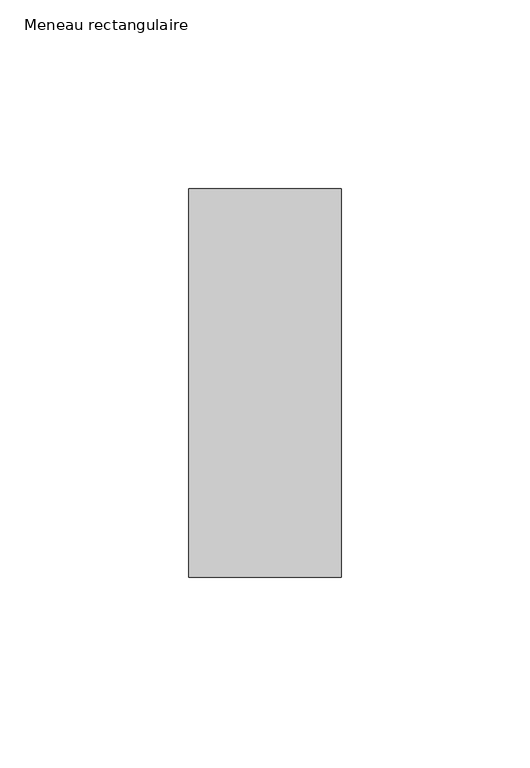
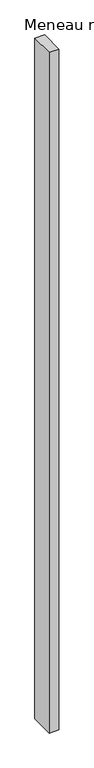
"""IFC4 building model written with IfcOpenShell, lengths in millimetres: member geometry, Meneau rectangulaire."""

from ifc_helpers import new_model, si_unit, frame, origin, place, context, project, spatial, polyline, outline, extrude, source, transform, mapped, element, save


def meneau_rectangulaire_be8e2942(model_context):
    return source(origin(), model_context, "Body", "SweptSolid", [
        extrude(outline(polyline([(-40.4444905, 51.4988742), (0.0, 51.4988742), (0.0, -51.4925062), (-40.4444905, -51.4925062), (-40.4444905, 51.4988742)])), frame((0.0, 0.0, -3000.0), z_axis=(0.0, 0.0, 1.0), x_axis=(1.0, 0.0, 0.0)), (0.0, 0.0, 1.0), 3000.0),
    ])


if __name__ == "__main__":
    model = new_model("IFC4")
    model_context = context("Model", 3, world=origin())
    ifc_project = project(units=[si_unit("LENGTHUNIT", "METRE", prefix="MILLI")], contexts=[model_context])
    site = spatial("IfcSite", under=ifc_project)
    building = spatial("IfcBuilding", under=site)
    placement = place(None, origin())
    meneau_rectangulaire_shape = meneau_rectangulaire_be8e2942(model_context)
    element("IfcMember", 1, ObjectType="Meneau rectangulaire", at=placement, inside=building, context=model_context, shape_type="MappedRepresentation", body=[
        mapped(meneau_rectangulaire_shape, transform((0.0, 0.0, 0.0), x_axis=(1.0, 0.0, 0.0), y_axis=(0.0, 1.0, 0.0), z_axis=(0.0, 0.0, 1.0))),
    ])
    save(model, "model.ifc")
